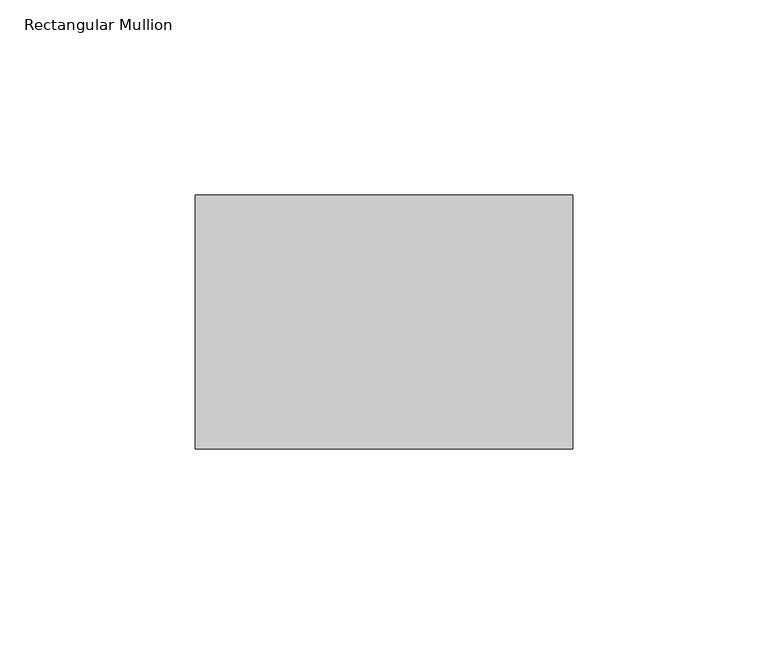
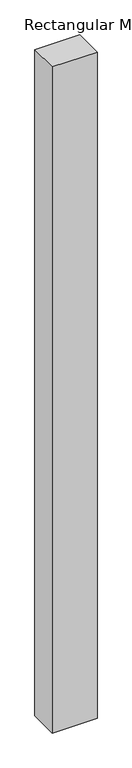
"""IFC4 building model written with IfcOpenShell, lengths in millimetres: member geometry, Rectangular Mullion."""

from ifc_helpers import new_model, si_unit, frame, origin, place, context, project, spatial, polyline, outline, extrude, source, transform, mapped, element, save


def rectangular_mullion_0a0d978c(model_context):
    return source(origin(), model_context, "Body", "SweptSolid", [
        extrude(outline(polyline([(0.0, -42.8625), (-96.8375, -42.8625), (-96.8375, 22.225), (0.0, 22.225), (0.0, -42.8625)])), frame((0.0, 0.0, -1524.0), z_axis=(0.0, 0.0, 1.0), x_axis=(1.0, 0.0, 0.0)), (0.0, 0.0, 1.0), 1524.0),
    ])


if __name__ == "__main__":
    model = new_model("IFC4")
    model_context = context("Model", 3, world=origin())
    ifc_project = project(units=[si_unit("LENGTHUNIT", "METRE", prefix="MILLI")], contexts=[model_context])
    site = spatial("IfcSite", under=ifc_project)
    building = spatial("IfcBuilding", under=site)
    placement = place(None, origin())
    rectangular_mullion_shape = rectangular_mullion_0a0d978c(model_context)
    element("IfcMember", 1, ObjectType="Rectangular Mullion", at=placement, inside=building, context=model_context, shape_type="MappedRepresentation", body=[
        mapped(rectangular_mullion_shape, transform((0.0, 0.0, 0.0), x_axis=(1.0, 0.0, 0.0), y_axis=(0.0, 1.0, 0.0), z_axis=(0.0, 0.0, 1.0))),
    ])
    save(model, "model.ifc")
